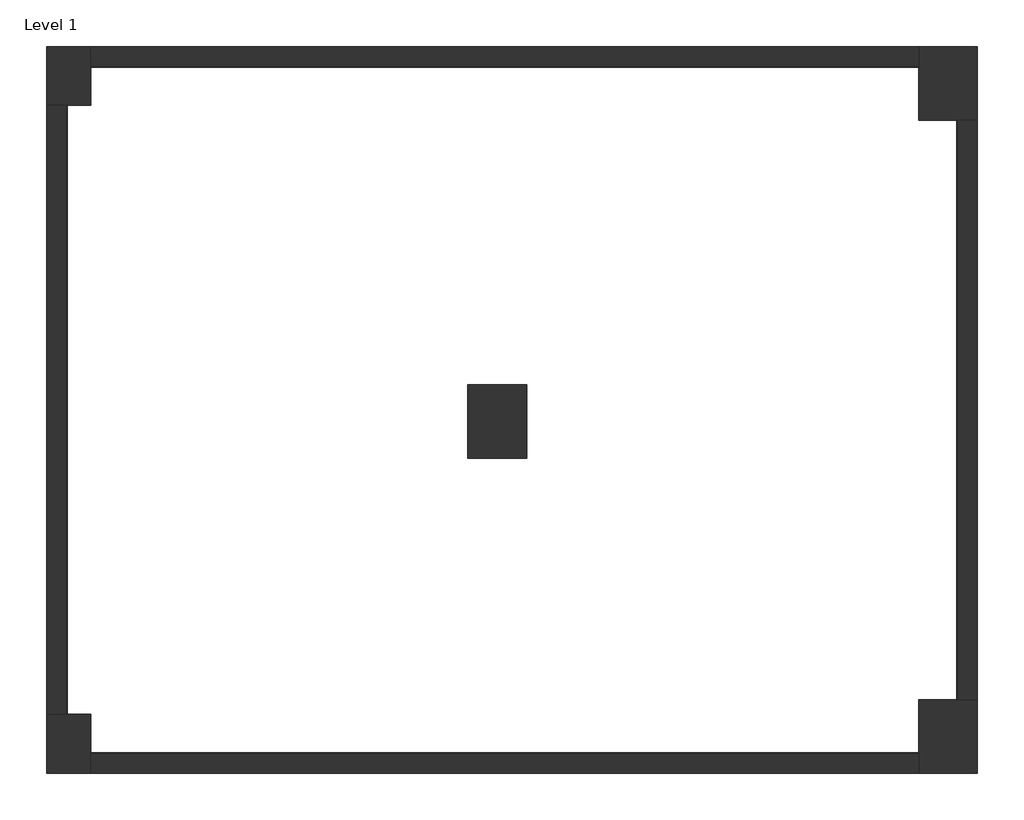
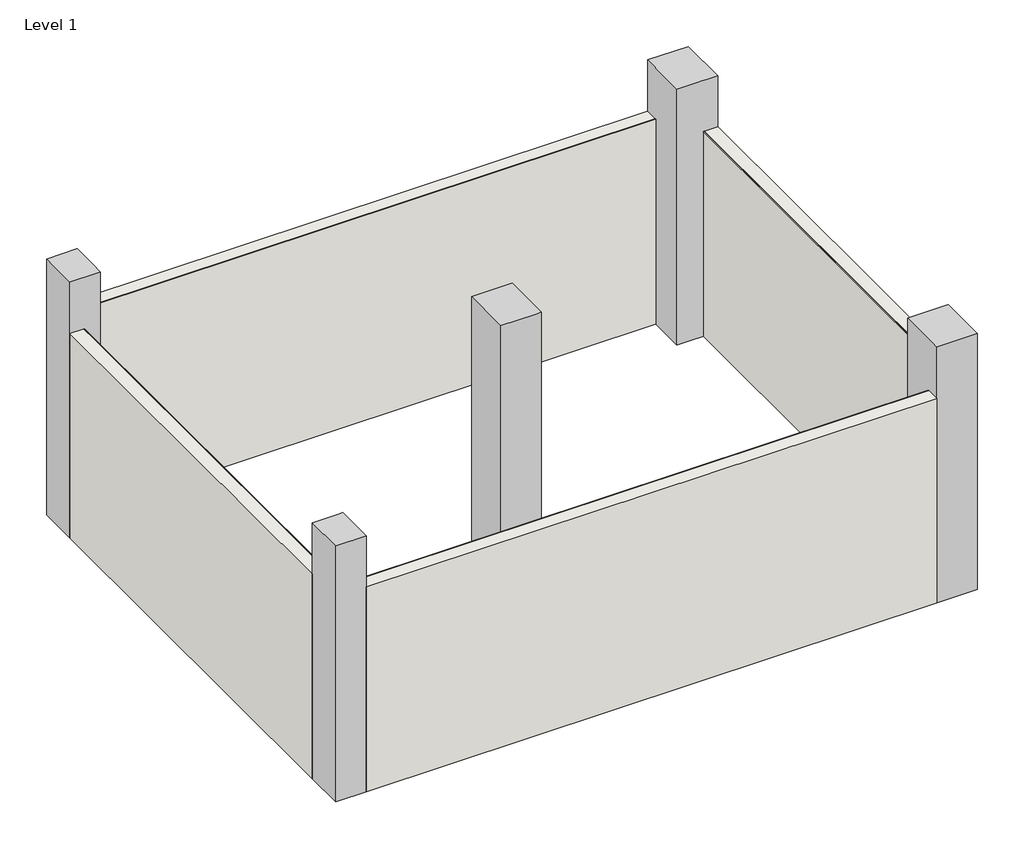
# One storey: 8 walls, 5 columns.
"""IFC4 building model written with IfcOpenShell, lengths in millimetres."""

from ifc_helpers import new_model, si_unit, origin, origin_with_axes, place, context, project, spatial, polyline, outline, extrude, faceted_brep, element, save

model = new_model("IFC4")

# Units and contexts
model_context = context("Model", 3, world=origin())
ifc_project = project(units=[si_unit("LENGTHUNIT", "METRE", prefix="MILLI")], contexts=[model_context])

# Site, building, storey
site = spatial("IfcSite", under=ifc_project)
building = spatial("IfcBuilding", under=site)
storey = spatial("IfcBuildingStorey", under=building, Name="Level 1", Elevation=0.0)

# Columns
placement = place(None, origin())
element("IfcColumn", 1, ObjectType="M_Concrete-Rectangular-Column : 450 x 600mm", at=placement, inside=storey, context=model_context, shape_type="Brep", body=[
    faceted_brep([(-5497.7490032, 10603.1162927, 0.0), (-5497.7490032, 10003.1162927, 0.0), (-5947.7490032, 10003.1162927, 0.0), (-5947.7490032, 10603.1162927, 0.0), (-5497.7490032, 10603.1162927, 4000.0), (-5497.7490032, 10203.1162927, 4000.0), (-5497.7490032, 10003.1162927, 4000.0), (-5497.7490032, 10603.1162927, 3200.0), (-5547.7490032, 10003.1162927, 4000.0), (-5947.7490032, 10003.1162927, 4000.0), (-5947.7490032, 10003.1162927, 3200.0), (-5947.7490032, 10603.1162927, 4000.0)], [[[0, 1, 2, 3]], [[4, 5, 6, 1, 0, 7]], [[6, 8, 9, 10, 2, 1]], [[9, 11, 3, 2, 10]], [[11, 4, 7, 0, 3]], [[4, 11, 9, 8, 6, 5]]]),
])
element("IfcColumn", 2, ObjectType="M_Concrete-Rectangular-Column : 450 x 600mm", at=placement, inside=storey, context=model_context, shape_type="Brep", body=[
    faceted_brep([(-5497.7490032, 3803.1162927, 0.0), (-5497.7490032, 3203.1162927, 0.0), (-5947.7490032, 3203.1162927, 0.0), (-5947.7490032, 3803.1162927, 0.0), (-5497.7490032, 3803.1162927, 4000.0), (-5497.7490032, 3603.1162927, 4000.0), (-5497.7490032, 3203.1162927, 4000.0), (-5497.7490032, 3203.1162927, 3200.0), (-5947.7490032, 3203.1162927, 4000.0), (-5947.7490032, 3803.1162927, 4000.0), (-5947.7490032, 3803.1162927, 3200.0), (-5547.7490032, 3803.1162927, 4000.0)], [[[0, 1, 2, 3]], [[4, 5, 6, 7, 1, 0]], [[6, 8, 2, 1, 7]], [[8, 9, 10, 3, 2]], [[9, 11, 4, 0, 3, 10]], [[4, 11, 9, 8, 6, 5]]]),
])
element("IfcColumn", 3, ObjectType="M_Concrete-Rectangular-Column : 600 x 750mm", at=placement, inside=storey, context=model_context, shape_type="Brep", body=[
    faceted_brep([(3532.2509968, 10603.1162927, 0.0), (3532.2509968, 9853.1162927, 0.0), (2932.2509968, 9853.1162927, 0.0), (2932.2509968, 10603.1162927, 0.0), (3532.2509968, 10603.1162927, 4000.0), (3532.2509968, 9853.1162927, 4000.0), (3532.2509968, 9853.1162927, 3200.0), (3132.2509968, 9853.1162927, 4000.0), (2932.2509968, 9853.1162927, 4000.0), (2932.2509968, 9853.1162927, 3600.0), (2932.2509968, 10203.1162927, 4000.0), (2932.2509968, 10603.1162927, 4000.0)], [[[0, 1, 2, 3]], [[1, 0, 4, 5, 6]], [[2, 1, 6, 5, 7, 8, 9]], [[3, 2, 9, 8, 10, 11]], [[0, 3, 11, 4]], [[5, 4, 11, 10, 8, 7]]]),
])
element("IfcColumn", 4, ObjectType="M_Concrete-Rectangular-Column : 600 x 750mm", at=placement, inside=storey, context=model_context, shape_type="Brep", body=[
    faceted_brep([(-1057.7490032, 7158.1162927, 0.0), (-1057.7490032, 6408.1162927, 0.0), (-1657.7490032, 6408.1162927, 0.0), (-1657.7490032, 7158.1162927, 0.0), (-1057.7490032, 7158.1162927, 3600.0), (-1057.7490032, 7158.1162927, 4000.0), (-1057.7490032, 7003.1162927, 4000.0), (-1057.7490032, 6603.1162927, 4000.0), (-1057.7490032, 6408.1162927, 4000.0), (-1057.7490032, 6408.1162927, 3600.0), (-1157.7490032, 6408.1162927, 4000.0), (-1657.7490032, 6408.1162927, 4000.0), (-1657.7490032, 7158.1162927, 4000.0), (-1547.7490032, 7158.1162927, 4000.0), (-1147.7490032, 7158.1162927, 4000.0)], [[[0, 1, 2, 3]], [[1, 0, 4, 5, 6, 7, 8, 9]], [[2, 1, 9, 8, 10, 11]], [[3, 2, 11, 12]], [[0, 3, 12, 13, 14, 5, 4]], [[12, 11, 10, 8, 7, 6, 5, 14, 13]]]),
])
element("IfcColumn", 5, ObjectType="M_Concrete-Rectangular-Column : 600 x 750mm", at=placement, inside=storey, context=model_context, shape_type="Brep", body=[
    faceted_brep([(3532.2509968, 3953.1162927, 0.0), (3532.2509968, 3203.1162927, 0.0), (2932.2509968, 3203.1162927, 0.0), (2932.2509968, 3953.1162927, 0.0), (3532.2509968, 3953.1162927, 3200.0), (3532.2509968, 3953.1162927, 4000.0), (3532.2509968, 3203.1162927, 4000.0), (2932.2509968, 3203.1162927, 4000.0), (2932.2509968, 3603.1162927, 4000.0), (2932.2509968, 3953.1162927, 4000.0), (2932.2509968, 3953.1162927, 3600.0), (3132.2509968, 3953.1162927, 4000.0)], [[[0, 1, 2, 3]], [[1, 0, 4, 5, 6]], [[2, 1, 6, 7]], [[3, 2, 7, 8, 9, 10]], [[0, 3, 10, 9, 11, 5, 4]], [[6, 5, 11, 9, 8, 7]]]),
])

# Walls
element("IfcWall", 6, ObjectType="Generic - 200mm", at=placement, inside=storey, context=model_context, shape_type="SweptSolid", body=[
    extrude(outline(polyline([(2932.2509968, 3203.1162927), (-5497.7490032, 3203.1162927), (-5497.7490032, 3403.1162927), (2932.2509968, 3403.1162927), (2932.2509968, 3203.1162927)])), origin_with_axes(), (0.0, 0.0, 1.0), 3200.0),
])
element("IfcWall", 7, ObjectType="Generic - 200mm", at=placement, inside=storey, context=model_context, shape_type="SweptSolid", body=[
    extrude(outline(polyline([(3532.2509968, 9853.1162927), (3532.2509968, 3953.1162927), (3332.2509968, 3953.1162927), (3332.2509968, 9853.1162927), (3532.2509968, 9853.1162927)])), origin_with_axes(), (0.0, 0.0, 1.0), 3200.0),
])
element("IfcWall", 8, ObjectType="Generic - 200mm", at=placement, inside=storey, context=model_context, shape_type="SweptSolid", body=[
    extrude(outline(polyline([(-5497.7490032, 10603.1162927), (2932.2509968, 10603.1162927), (2932.2509968, 10403.1162927), (-5497.7490032, 10403.1162927), (-5497.7490032, 10603.1162927)])), origin_with_axes(), (0.0, 0.0, 1.0), 3200.0),
])
element("IfcWall", 9, ObjectType="Generic - 200mm", at=placement, inside=storey, context=model_context, shape_type="SweptSolid", body=[
    extrude(outline(polyline([(-5947.7490032, 3803.1162927), (-5947.7490032, 10003.1162927), (-5747.7490032, 10003.1162927), (-5747.7490032, 3803.1162927), (-5947.7490032, 3803.1162927)])), origin_with_axes(), (0.0, 0.0, 1.0), 3200.0),
])
element("IfcWall", 10, ObjectType="Plaster", at=placement, inside=storey, context=model_context, shape_type="SweptSolid", body=[
    extrude(outline(polyline([(2932.2509968, 10393.1162927), (-5497.7490032, 10393.1162927), (-5497.7490032, 10403.1162927), (2932.2509968, 10403.1162927), (2932.2509968, 10393.1162927)])), origin_with_axes(), (0.0, 0.0, 1.0), 3200.0),
])
element("IfcWall", 11, ObjectType="Plaster", at=placement, inside=storey, context=model_context, shape_type="SweptSolid", body=[
    extrude(outline(polyline([(3322.2509968, 3953.1162927), (3322.2509968, 9853.1162927), (3332.2509968, 9853.1162927), (3332.2509968, 3953.1162927), (3322.2509968, 3953.1162927)])), origin_with_axes(), (0.0, 0.0, 1.0), 3200.0),
])
element("IfcWall", 12, ObjectType="Plaster", at=placement, inside=storey, context=model_context, shape_type="SweptSolid", body=[
    extrude(outline(polyline([(-5497.7490032, 3413.1162927), (2932.2509968, 3413.1162927), (2932.2509968, 3403.1162927), (-5497.7490032, 3403.1162927), (-5497.7490032, 3413.1162927)])), origin_with_axes(), (0.0, 0.0, 1.0), 3200.0),
])
element("IfcWall", 13, ObjectType="Plaster", at=placement, inside=storey, context=model_context, shape_type="SweptSolid", body=[
    extrude(outline(polyline([(-5737.7490032, 10003.1162927), (-5737.7490032, 3803.1162927), (-5747.7490032, 3803.1162927), (-5747.7490032, 10003.1162927), (-5737.7490032, 10003.1162927)])), origin_with_axes(), (0.0, 0.0, 1.0), 3200.0),
])

save(model, "model.ifc")
